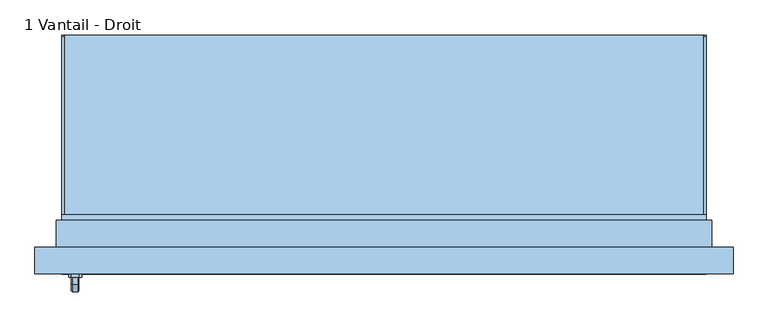
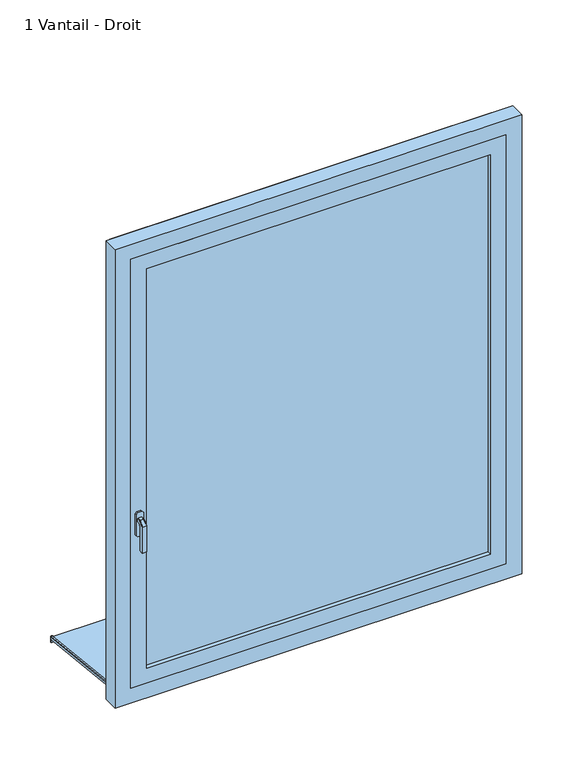
"""IFC4 building model written with IfcOpenShell, lengths in millimetres: window geometry, 1 Vantail - Droit."""

from ifc_helpers import new_model, si_unit, point, frame, frame_2d, origin, place, context, project, spatial, polyline, circle_curve, trimmed, segment, composite_curve, outline, extrude, faceted_brep, source, transform, mapped, element, save


def window_1_vantail_droit_30701329(model_context):
    return source(origin(), model_context, "Body", "SolidModel", [
        faceted_brep([(-569.3539903, -221.0, 1422.0339292), (-567.9660708, -221.0, 1420.6460097), (-567.9660708, -221.0, 1409.3323012), (-569.3323012, -221.0, 1407.9660708), (-580.6676988, -221.0, 1407.9660708), (-582.0339292, -221.0, 1409.3323012), (-582.0339292, -221.0, 1420.6460097), (-580.6460097, -221.0, 1422.0339292), (-569.3539903, -233.9135489, 1422.0339292), (-567.9660708, -233.3386538, 1420.6460097), (-567.9660708, -246.6460097, 1407.3386538), (-567.9660708, -246.6460097, 1320.0), (-567.9660708, -235.3323012, 1320.0), (-567.9660708, -235.3323012, 1402.6523623), (-567.9660708, -228.6523623, 1409.3323012), (-569.3323012, -228.0864511, 1407.9660708), (-580.6676988, -228.0864511, 1407.9660708), (-582.0339292, -228.6523623, 1409.3323012), (-582.0339292, -235.3323012, 1402.6523623), (-582.0339292, -235.3323012, 1320.0), (-582.0339292, -246.6460097, 1320.0), (-582.0339292, -246.6460097, 1407.3386538), (-582.0339292, -233.3386538, 1420.6460097), (-580.6460097, -233.9135489, 1422.0339292), (-569.3539903, -248.0339292, 1407.9135489), (-569.3323012, -233.9660708, 1402.0864511), (-580.6676988, -233.9660708, 1402.0864511), (-580.6460097, -248.0339292, 1407.9135489), (-569.3539903, -248.0339292, 1320.0), (-580.6460097, -248.0339292, 1320.0), (-580.6676988, -233.9660708, 1320.0), (-569.3323012, -233.9660708, 1320.0)], [[[0, 1, 2, 3, 4, 5, 6, 7]], [[1, 0, 8, 9]], [[2, 1, 9, 10, 11, 12, 13, 14]], [[3, 2, 14, 15]], [[4, 3, 15, 16]], [[5, 4, 16, 17]], [[6, 5, 17, 18, 19, 20, 21, 22]], [[7, 6, 22, 23]], [[0, 7, 23, 8]], [[9, 8, 24, 10]], [[15, 14, 13, 25]], [[16, 15, 25, 26]], [[17, 16, 26, 18]], [[23, 22, 21, 27]], [[8, 23, 27, 24]], [[28, 29, 20, 19, 30, 31, 12, 11]], [[10, 24, 28, 11]], [[25, 13, 12, 31]], [[26, 25, 31, 30]], [[18, 26, 30, 19]], [[27, 21, 20, 29]], [[24, 27, 29, 28]]]),
        extrude(outline(polyline([(1440.0, -568.0), (1440.0, -582.0), (1435.0, -587.0), (1365.0, -587.0), (1360.0, -582.0), (1360.0, -568.0), (1365.0, -563.0), (1435.0, -563.0), (1440.0, -568.0)])), frame((0.0, -221.0, 0.0), z_axis=(0.0, 1.0, 0.0), x_axis=(0.0, 0.0, 1.0)), (0.0, 0.0, 1.0), 6.0),
        extrude(outline(polyline([(230.0, 751.8921659), (230.0, 736.3364494), (225.0, 736.8619706), (225.0, 747.1624753), (-135.0, 785.0), (-135.0, 800.0), (-130.0, 800.0), (-130.0, 789.7296906), (230.0, 751.8921659)])), frame((-600.0, 0.0, 0.0), z_axis=(1.0, 0.0, 0.0), x_axis=(0.0, 1.0, 0.0)), (0.0, 0.0, 1.0), 1200.0),
        extrude(outline(composite_curve([segment(polyline([(230.0, 751.8921659), (-130.0, 789.7296906), (-130.0, 794.757232), (226.4181139, 757.2961787)]), True, "CONTINUOUS"), segment(trimmed(circle_curve(frame_2d((226.0, 753.3180911)), 4.0), [point((226.4181139, 757.2961787))], [point((230.0, 753.3180911))], False, "CARTESIAN"), True, "CONTINUOUS"), segment(polyline([(230.0, 753.3180911), (230.0, 751.8921659)]), True, "CONTINUOUS")], self_intersect=False)), frame((-600.0, 0.0, 0.0), z_axis=(1.0, 0.0, 0.0), x_axis=(0.0, 1.0, 0.0)), (0.0, 0.0, 1.0), 5.0),
        extrude(outline(composite_curve([segment(polyline([(230.0, 751.8921659), (-130.0, 789.7296906), (-130.0, 794.757232), (226.4181139, 757.2961787)]), True, "CONTINUOUS"), segment(trimmed(circle_curve(frame_2d((226.0, 753.3180911)), 4.0), [point((226.4181139, 757.2961787))], [point((230.0, 753.3180911))], False, "CARTESIAN"), True, "CONTINUOUS"), segment(polyline([(230.0, 753.3180911), (230.0, 751.8921659)]), True, "CONTINUOUS")], self_intersect=False)), frame((595.0, 0.0, 0.0), z_axis=(1.0, 0.0, 0.0), x_axis=(0.0, 1.0, 0.0)), (0.0, 0.0, 1.0), 5.0),
        faceted_brep([(-650.0, -215.0, 800.0), (-650.0, -165.0, 800.0), (-600.0, -165.0, 800.0), (-600.0, -115.0, 800.0), (600.0, -115.0, 800.0), (600.0, -165.0, 800.0), (650.0, -165.0, 800.0), (650.0, -215.0, 800.0), (-650.0, -215.0, 2350.0), (-650.0, -165.0, 2350.0), (650.0, -165.0, 2350.0), (600.0, -165.0, 839.3761425), (-600.0, -165.0, 839.3761425), (-585.0, -165.0, 2285.0), (-585.0, -165.0, 865.0), (585.0, -165.0, 865.0), (585.0, -165.0, 2285.0), (-600.0, -105.0, 823.2991909), (-600.0, -105.0, 795.0), (-600.0, -115.0, 795.0), (600.0, -115.0, 795.0), (600.0, -105.0, 795.0), (600.0, -105.0, 823.2991909), (650.0, -215.0, 2350.0), (600.0, -215.0, 2300.0), (600.0, -215.0, 850.0), (-600.0, -215.0, 850.0), (-600.0, -215.0, 2300.0), (-585.0, -175.0, 2285.0), (-585.0, -175.0, 865.0), (585.0, -175.0, 865.0), (585.0, -175.0, 2285.0), (600.0, -175.0, 2300.0), (-600.0, -175.0, 2300.0), (-600.0, -175.0, 850.0), (600.0, -175.0, 850.0)], [[[0, 1, 2, 3, 4, 5, 6, 7]], [[1, 0, 8, 9]], [[1, 9, 10, 6, 5, 11, 12, 2], [13, 14, 15, 16]], [[12, 17, 18, 19, 3, 2]], [[3, 19, 20, 4]], [[4, 20, 21, 22, 11, 5]], [[6, 10, 23, 7]], [[0, 7, 23, 8], [24, 25, 26, 27]], [[13, 28, 29, 14]], [[29, 30, 15, 14]], [[31, 16, 15, 30]], [[17, 12, 11, 22]], [[32, 33, 34, 35], [28, 31, 30, 29]], [[34, 33, 27, 26]], [[26, 25, 35, 34]], [[24, 32, 35, 25]], [[18, 17, 22, 21]], [[19, 18, 21, 20]], [[13, 16, 31, 28]], [[33, 32, 24, 27]], [[10, 9, 8, 23]]]),
        extrude(outline(polyline([(800.0, -610.0), (800.0, -600.0), (2300.0, -600.0), (2300.0, 600.0), (800.0, 600.0), (800.0, 610.0), (2310.0, 610.0), (2310.0, -610.0), (800.0, -610.0)])), frame((0.0, -165.0, 0.0), z_axis=(0.0, 1.0, 0.0), x_axis=(0.0, 0.0, 1.0)), (0.0, 0.0, 1.0), 50.0),
        extrude(outline(polyline([(-550.0, -189.0), (550.0, -189.0), (550.0, -201.0), (-550.0, -201.0), (-550.0, -189.0)])), frame((0.0, 0.0, 900.0), z_axis=(0.0, 0.0, 1.0), x_axis=(1.0, 0.0, 0.0)), (0.0, 0.0, 1.0), 1350.0),
        extrude(outline(polyline([(850.0, 600.0), (2300.0, 600.0), (2300.0, -600.0), (850.0, -600.0), (850.0, 600.0)]), holes=[polyline([(900.0, -550.0), (2250.0, -550.0), (2250.0, 550.0), (900.0, 550.0), (900.0, -550.0)])]), frame((0.0, -215.0, 0.0), z_axis=(0.0, 1.0, 0.0), x_axis=(0.0, 0.0, 1.0)), (0.0, 0.0, 1.0), 40.0),
    ])


if __name__ == "__main__":
    model = new_model("IFC4")
    model_context = context("Model", 3, world=origin())
    ifc_project = project(units=[si_unit("LENGTHUNIT", "METRE", prefix="MILLI")], contexts=[model_context])
    site = spatial("IfcSite", under=ifc_project)
    building = spatial("IfcBuilding", under=site)
    placement = place(None, origin())
    window_1_vantail_droit_shape = window_1_vantail_droit_30701329(model_context)
    element("IfcWindow", 1, ObjectType="1 Vantail - Droit", at=placement, inside=building, context=model_context, shape_type="MappedRepresentation", body=[
        mapped(window_1_vantail_droit_shape, transform((0.0, 0.0, 0.0), x_axis=(1.0, 0.0, 0.0), y_axis=(0.0, 1.0, 0.0), z_axis=(0.0, 0.0, 1.0))),
    ])
    save(model, "model.ifc")
